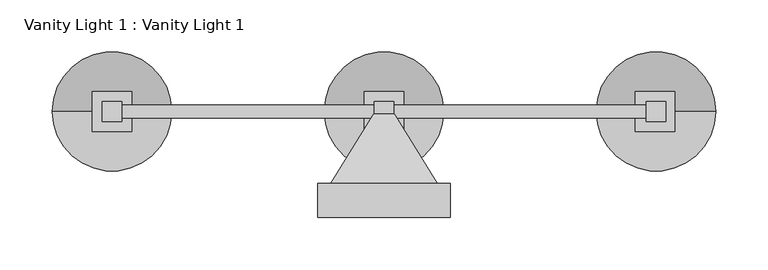
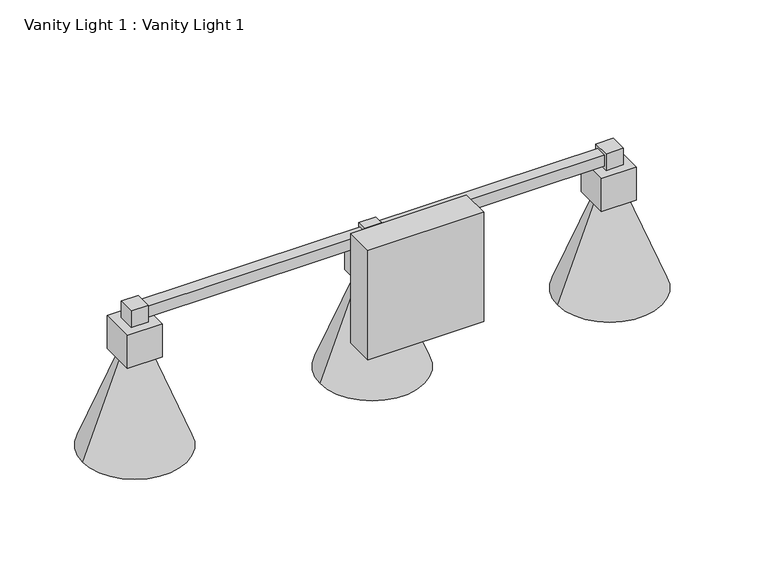
"""IFC4 building model written with IfcOpenShell, lengths in millimetres: light fixture geometry, Vanity Light 1 : Vanity Light 1."""

from ifc_helpers import new_model, si_unit, frame, origin, place, context, project, spatial, polyline, circle_curve, outline, extrude, faceted_brep, source, transform, mapped, element, save
from ifc_brep_helpers import plane_surface, revolved_surface, advanced_brep


def vanity_light_1_vanity_light_1_a1549f30(model_context):
    return source(origin(), model_context, "Body", "SolidModel", [
        advanced_brep(
        [(223.9943373, 165.1, 1811.7225675), (281.1443373, 165.1, 1811.7225675), (166.8443373, 165.1, 1811.7225675), (208.1193373, 165.1, 1918.900134), (239.8693373, 165.1, 1918.900134), (223.9943373, 165.1, 1918.900134)],
        [
            (0, 1),
            (1, 2, circle_curve(frame((223.9943373, 165.1, 1811.7225675), z_axis=(0.0, 0.0, -1.0), x_axis=(1.0, 0.0, 0.0)), 57.15)),
            (2, 0),
            (2, 1, circle_curve(frame((223.9943373, 165.1, 1811.7225675), z_axis=(0.0, 0.0, -1.0), x_axis=(1.0, 0.0, 0.0)), 57.15)),
            (3, 4, circle_curve(frame((223.9943373, 165.1, 1918.900134), z_axis=(0.0, 0.0, 1.0), x_axis=(1.0, 0.0, 0.0)), 15.875)),
            (4, 5),
            (5, 3),
            (4, 3, circle_curve(frame((223.9943373, 165.1, 1918.900134), z_axis=(0.0, 0.0, 1.0), x_axis=(1.0, 0.0, 0.0)), 15.875)),
            (1, 4),
            (3, 2),
        ],
        [
            plane_surface(frame((223.9943373, 165.1, 1811.7225675), z_axis=(0.0, 0.0, -1.0), x_axis=(1.0, 0.0, 0.0))),
            plane_surface(frame((223.9943373, 165.1, 1918.900134), z_axis=(0.0, 0.0, 1.0), x_axis=(1.0, 0.0, 0.0))),
            revolved_surface(polyline([(239.8693373, 165.1, 1918.900134), (281.1443373, 165.1, 1811.7225675)]), (223.9943373, 165.1, 1928.6682179), (0.0, 0.0, -1.0)),
        ],
        [
            (0, [[1, 2, 3]]),
            (0, [[-3, 4, -1]]),
            (1, [[5, 6, 7]]),
            (1, [[8, -7, -6]]),
            (2, [[-2, 9, -5, 10]]),
            (2, [[-4, -10, -8, -9]]),
        ],
    ),
        advanced_brep(
        [(-36.3556627, 165.1, 1811.7225675), (20.7943373, 165.1, 1811.7225675), (-93.5056627, 165.1, 1811.7225675), (-52.2306627, 165.1, 1918.900134), (-20.4806627, 165.1, 1918.900134), (-36.3556627, 165.1, 1918.900134)],
        [
            (0, 1),
            (1, 2, circle_curve(frame((-36.3556627, 165.1, 1811.7225675), z_axis=(0.0, 0.0, -1.0), x_axis=(1.0, 0.0, 0.0)), 57.15)),
            (2, 0),
            (2, 1, circle_curve(frame((-36.3556627, 165.1, 1811.7225675), z_axis=(0.0, 0.0, -1.0), x_axis=(1.0, 0.0, 0.0)), 57.15)),
            (3, 4, circle_curve(frame((-36.3556627, 165.1, 1918.900134), z_axis=(0.0, 0.0, 1.0), x_axis=(1.0, 0.0, 0.0)), 15.875)),
            (4, 5),
            (5, 3),
            (4, 3, circle_curve(frame((-36.3556627, 165.1, 1918.900134), z_axis=(0.0, 0.0, 1.0), x_axis=(1.0, 0.0, 0.0)), 15.875)),
            (1, 4),
            (3, 2),
        ],
        [
            plane_surface(frame((-36.3556627, 165.1, 1811.7225675), z_axis=(0.0, 0.0, -1.0), x_axis=(1.0, 0.0, 0.0))),
            plane_surface(frame((-36.3556627, 165.1, 1918.900134), z_axis=(0.0, 0.0, 1.0), x_axis=(1.0, 0.0, 0.0))),
            revolved_surface(polyline([(-20.4806627, 165.1, 1918.900134), (20.7943373, 165.1, 1811.7225675)]), (-36.3556627, 165.1, 1928.6682179), (0.0, 0.0, -1.0)),
        ],
        [
            (0, [[1, 2, 3]]),
            (0, [[-3, 4, -1]]),
            (1, [[5, 6, 7]]),
            (1, [[8, -7, -6]]),
            (2, [[-2, 9, -5, 10]]),
            (2, [[-4, -10, -8, -9]]),
        ],
    ),
        advanced_brep(
        [(-296.7056627, 165.1, 1811.7225675), (-239.5556627, 165.1, 1811.7225675), (-353.8556627, 165.1, 1811.7225675), (-312.5806627, 165.1, 1918.900134), (-280.8306627, 165.1, 1918.900134), (-296.7056627, 165.1, 1918.900134)],
        [
            (0, 1),
            (1, 2, circle_curve(frame((-296.7056627, 165.1, 1811.7225675), z_axis=(0.0, 0.0, -1.0), x_axis=(1.0, 0.0, 0.0)), 57.15)),
            (2, 0),
            (2, 1, circle_curve(frame((-296.7056627, 165.1, 1811.7225675), z_axis=(0.0, 0.0, -1.0), x_axis=(1.0, 0.0, 0.0)), 57.15)),
            (3, 4, circle_curve(frame((-296.7056627, 165.1, 1918.900134), z_axis=(0.0, 0.0, 1.0), x_axis=(1.0, 0.0, 0.0)), 15.875)),
            (4, 5),
            (5, 3),
            (4, 3, circle_curve(frame((-296.7056627, 165.1, 1918.900134), z_axis=(0.0, 0.0, 1.0), x_axis=(1.0, 0.0, 0.0)), 15.875)),
            (1, 4),
            (3, 2),
        ],
        [
            plane_surface(frame((-296.7056627, 165.1, 1811.7225675), z_axis=(0.0, 0.0, -1.0), x_axis=(1.0, 0.0, 0.0))),
            plane_surface(frame((-296.7056627, 165.1, 1918.900134), z_axis=(0.0, 0.0, 1.0), x_axis=(1.0, 0.0, 0.0))),
            revolved_surface(polyline([(-280.8306627, 165.1, 1918.900134), (-239.5556627, 165.1, 1811.7225675)]), (-296.7056627, 165.1, 1928.6682179), (0.0, 0.0, -1.0)),
        ],
        [
            (0, [[1, 2, 3]]),
            (0, [[-3, 4, -1]]),
            (1, [[5, 6, 7]]),
            (1, [[8, -7, -6]]),
            (2, [[-2, 9, -5, 10]]),
            (2, [[-4, -10, -8, -9]]),
        ],
    ),
        extrude(outline(polyline([(-45.8806627, 174.625), (-26.8306627, 174.625), (-26.8306627, 155.575), (-45.8806627, 155.575), (-45.8806627, 174.625)])), frame((0.0, 0.0, 1957.000134), z_axis=(0.0, 0.0, 1.0), x_axis=(1.0, 0.0, 0.0)), (0.0, 0.0, 1.0), 19.05),
        extrude(outline(polyline([(-55.4056627, 184.15), (-17.3056627, 184.15), (-17.3056627, 146.05), (-55.4056627, 146.05), (-55.4056627, 184.15)])), frame((0.0, 0.0, 1918.900134), z_axis=(0.0, 0.0, 1.0), x_axis=(1.0, 0.0, 0.0)), (0.0, 0.0, 1.0), 38.1),
        extrude(outline(polyline([(-296.7056627, 171.45), (223.9943373, 171.45), (223.9943373, 158.75), (-296.7056627, 158.75), (-296.7056627, 171.45)])), frame((0.0, 0.0, 1960.175134), z_axis=(0.0, 0.0, 1.0), x_axis=(1.0, 0.0, 0.0)), (0.0, 0.0, 1.0), 12.7),
        faceted_brep([(-99.8556627, 96.2069026, 2030.025134), (27.1443373, 96.2069026, 2030.025134), (27.1443373, 96.2069026, 1903.025134), (-99.8556627, 96.2069026, 1903.025134), (-99.8556627, 63.5, 2030.025134), (-99.8556627, 63.5, 1903.025134), (27.1443373, 63.5, 1903.025134), (27.1443373, 63.5, 2030.025134)], [[[0, 1, 2, 3]], [[4, 5, 6, 7]], [[1, 0, 4, 7]], [[2, 1, 7, 6]], [[3, 2, 6, 5]], [[0, 3, 5, 4]]]),
        faceted_brep([(214.4693373, 174.625, 1957.000134), (214.4693373, 174.625, 1976.050134), (233.5193373, 174.625, 1976.050134), (233.5193373, 174.625, 1957.000134), (233.5193373, 155.575, 1957.000134), (233.5193373, 155.575, 1976.050134), (214.4693373, 155.575, 1976.050134), (214.4693373, 155.575, 1957.000134), (242.044135, 184.15, 1918.900134), (203.944135, 184.15, 1918.900134), (203.944135, 184.15, 1957.000134), (242.044135, 184.15, 1957.000134), (242.044135, 146.05, 1918.900134), (242.044135, 146.05, 1957.000134), (203.944135, 146.05, 1957.000134), (203.944135, 146.05, 1918.900134)], [[[0, 1, 2, 3]], [[4, 5, 6, 7]], [[1, 0, 7, 6]], [[2, 1, 6, 5]], [[3, 2, 5, 4]], [[8, 9, 10, 11]], [[12, 13, 14, 15]], [[9, 8, 12, 15]], [[10, 9, 15, 14]], [[11, 10, 14, 13], [0, 3, 4, 7]], [[8, 11, 13, 12]]]),
        faceted_brep([(-277.6556627, 184.15, 1918.900134), (-315.7556627, 184.15, 1918.900134), (-315.7556627, 184.15, 1957.000134), (-277.6556627, 184.15, 1957.000134), (-277.6556627, 146.05, 1918.900134), (-277.6556627, 146.05, 1957.000134), (-315.7556627, 146.05, 1957.000134), (-315.7556627, 146.05, 1918.900134), (-306.2306627, 174.625, 1957.000134), (-287.1806627, 174.625, 1957.000134), (-287.1806627, 155.575, 1957.000134), (-306.2306627, 155.575, 1957.000134), (-306.2306627, 174.625, 1976.050134), (-287.1806627, 174.625, 1976.050134), (-287.1806627, 155.575, 1976.050134), (-306.2306627, 155.575, 1976.050134)], [[[0, 1, 2, 3]], [[4, 5, 6, 7]], [[1, 0, 4, 7]], [[2, 1, 7, 6]], [[3, 2, 6, 5], [8, 9, 10, 11]], [[0, 3, 5, 4]], [[8, 12, 13, 9]], [[10, 14, 15, 11]], [[12, 8, 11, 15]], [[13, 12, 15, 14]], [[9, 13, 14, 10]]]),
        faceted_brep([(-44.9093547, 165.1, 1957.9714419), (-44.9093547, 165.1, 1975.0788261), (-27.8019706, 165.1, 1975.0788261), (-27.8019706, 165.1, 1957.9714419), (-87.1556627, 96.2069026, 1915.725134), (14.4443373, 96.2069026, 1915.725134), (14.4443373, 96.2069026, 2017.325134), (-87.1556627, 96.2069026, 2017.325134)], [[[0, 1, 2, 3]], [[4, 5, 6, 7]], [[4, 7, 1, 0]], [[7, 6, 2, 1]], [[6, 5, 3, 2]], [[5, 4, 0, 3]]]),
    ])


if __name__ == "__main__":
    model = new_model("IFC4")
    model_context = context("Model", 3, world=origin())
    ifc_project = project(units=[si_unit("LENGTHUNIT", "METRE", prefix="MILLI")], contexts=[model_context])
    site = spatial("IfcSite", under=ifc_project)
    building = spatial("IfcBuilding", under=site)
    placement = place(None, origin())
    vanity_light_1_vanity_light_1_shape = vanity_light_1_vanity_light_1_a1549f30(model_context)
    element("IfcLightFixture", 1, ObjectType="Vanity Light 1 : Vanity Light 1", at=placement, inside=building, context=model_context, shape_type="MappedRepresentation", body=[
        mapped(vanity_light_1_vanity_light_1_shape, transform((0.0, 0.0, 0.0), x_axis=(1.0, 0.0, 0.0), y_axis=(0.0, 1.0, 0.0), z_axis=(0.0, 0.0, 1.0))),
    ])
    save(model, "model.ifc")
